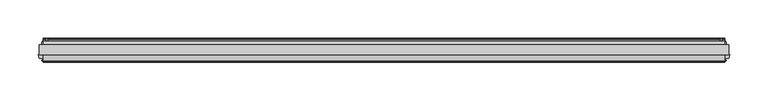
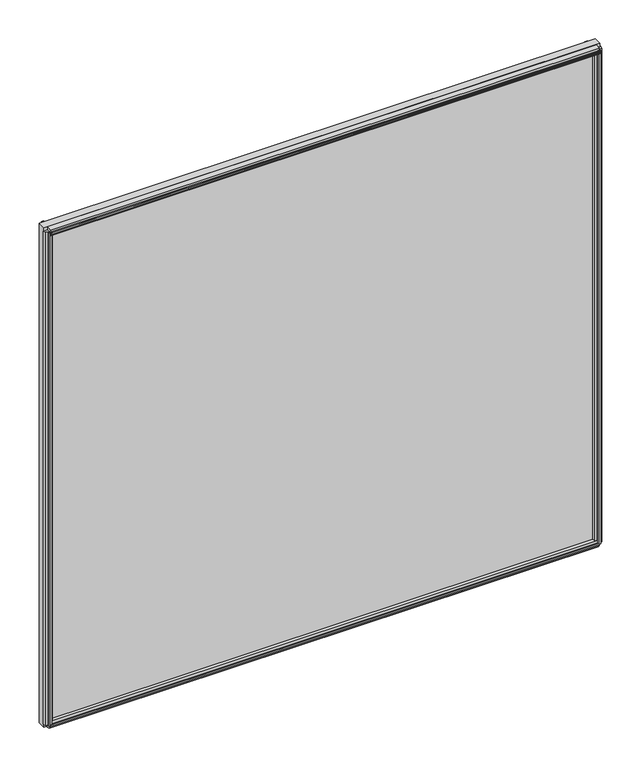
"""IFC4 building model written with IfcOpenShell, lengths in millimetres: plate geometry."""

from ifc_helpers import new_model, si_unit, point, frame, frame_2d, origin, origin_with_axes, place, context, project, spatial, polyline, circle_curve, trimmed, segment, composite_curve, outline, extrude, source, transform, mapped, element, save


def plate_dd1a4b7b(model_context):
    return source(origin(), model_context, "Body", "SweptSolid", [
        extrude(outline(polyline([(450.8666846, -0.0460375), (450.8666846, -12.8984375), (-450.8666846, -12.8984375), (-450.8666846, -0.0460375), (450.8666846, -0.0460375)])), origin_with_axes(), (0.0, 0.0, 1.0), 857.2446606),
        extrude(outline(composite_curve([segment(polyline([(7.9801525, 11.112559), (5.5925525, 11.1124979)]), True, "CONTINUOUS"), segment(trimmed(circle_curve(frame_2d((5.5925727, 10.3250979)), 0.7874), [point((5.5925525, 11.1124979))], [point((4.8051727, 10.3250778))], True, "CARTESIAN"), True, "CONTINUOUS"), segment(polyline([(4.8051727, 10.3250778), (4.8051928, 9.5376778), (6.3799928, 9.5377181), (4.8053625, 3.7841758), (4.8053625, 2.9042818)]), True, "CONTINUOUS"), segment(trimmed(circle_curve(frame_2d((2.3796615, 2.9426237)), 2.426004), [point((4.8053625, 2.9042818))], [point((-0.0460375, 2.9041577))], False, "CARTESIAN"), True, "CONTINUOUS"), segment(polyline([(-0.0460375, 2.9041577), (-0.0460375, 16.9229653)]), True, "CONTINUOUS"), segment(trimmed(circle_curve(frame_2d((11.636134, 24.6114215)), 13.9851882), [point((-0.0460375, 16.9229653))], [point((7.9801525, 11.112559))], True, "CARTESIAN"), True, "CONTINUOUS")], self_intersect=False)), frame((-445.3104346, 0.0, 0.0), z_axis=(1.0, 0.0, 0.0), x_axis=(0.0, 1.0, 0.0)), (0.0, 0.0, 1.0), 890.6208692),
        extrude(outline(polyline([(-20.3942598, 3.946253), (-20.1464993, 2.4003), (-20.9588426, 2.4003), (-21.3566375, 4.7371), (-20.9416217, 7.0739), (-20.1283543, 7.0739), (-20.3886275, 5.5210429), (-17.6691189, 5.9939196), (-17.6691189, 10.3197912), (-12.8984375, 11.5326763), (-12.8984375, -2.0076763), (-17.6782032, -0.7924816), (-17.6782032, 3.4539358), (-20.3942598, 3.946253)])), frame((-445.3104346, 0.0, 0.0), z_axis=(1.0, 0.0, 0.0), x_axis=(0.0, 1.0, 0.0)), (0.0, 0.0, 1.0), 890.6208692),
        extrude(outline(polyline([(-12.8984375, 857.2787778), (-12.8984375, 843.461728), (-17.6736375, 844.460643), (-18.7846441, 848.6069762), (-21.5347434, 848.3697136), (-20.888384, 846.9388482), (-21.6734885, 846.7284801), (-22.6708491, 848.8804715), (-22.8831052, 851.242831), (-22.0980007, 851.4531991), (-21.9423316, 849.8908536), (-19.4420445, 851.0604278), (-20.5530511, 855.206761), (-12.8984375, 857.2787778)])), frame((-445.3104346, 0.0, 0.0), z_axis=(1.0, 0.0, 0.0), x_axis=(0.0, 1.0, 0.0)), (0.0, 0.0, 1.0), 890.6208692),
        extrude(outline(polyline([(4.8053625, 852.0260653), (4.8053625, 847.7334653), (7.5231625, 847.2508653), (7.2691625, 848.8002653), (8.0819625, 848.8002653), (8.4883625, 846.4634653), (8.0819625, 844.1266653), (7.2691625, 844.1266653), (7.5231625, 845.6760653), (4.8053625, 845.1934653), (4.8053625, 840.9008653), (-0.0460375, 839.6674585), (-0.0460375, 853.2594721), (4.8053625, 852.0260653)])), frame((-445.3104346, 0.0, 0.0), z_axis=(1.0, 0.0, 0.0), x_axis=(0.0, 1.0, 0.0)), (0.0, 0.0, 1.0), 890.6208692),
        extrude(outline(polyline([(444.5132376, -20.2926598), (444.0209204, -17.5766032), (439.7426454, -17.5766032), (438.5532812, -12.8984375), (452.054888, -12.8984375), (450.8678334, -17.5675189), (446.5609042, -17.5675189), (446.0880275, -20.2870275), (447.6408846, -20.0267543), (447.6408846, -20.8400217), (445.3040846, -21.2550375), (442.9672846, -20.8572426), (442.9672846, -20.0448993), (444.5132376, -20.2926598)])), frame((0.0, 0.0, 5.55625), z_axis=(0.0, 0.0, 1.0), x_axis=(1.0, 0.0, 0.0)), (0.0, 0.0, 1.0), 846.1321606),
        extrude(outline(polyline([(441.8716275, 7.6219525), (442.3471737, 4.8870913), (446.6553366, 4.8870913), (447.9095219, -0.0460375), (434.2658473, -0.0460375), (435.5262334, 4.9114812), (439.8045119, 4.9114812), (440.2968376, 7.6275848), (438.7494461, 7.3791279), (438.7494461, 8.1919227), (441.0876846, 8.5899625), (443.4230162, 8.1752075), (443.4201092, 7.3624127), (441.8716275, 7.6219525)])), frame((0.0, 0.0, 5.55625), z_axis=(0.0, 0.0, 1.0), x_axis=(1.0, 0.0, 0.0)), (0.0, 0.0, 1.0), 846.1321606),
        extrude(outline(polyline([(-446.0880275, -20.2870275), (-446.5635737, -17.5521663), (-450.8717366, -17.5521663), (-452.0522646, -12.9087562), (-438.5559046, -12.9087562), (-439.7426334, -17.5765562), (-444.0209119, -17.5765562), (-444.5132376, -20.2926598), (-442.9658461, -20.0442029), (-442.9658461, -20.8569977), (-445.3040846, -21.2550375), (-447.6394162, -20.8402825), (-447.6365092, -20.0274877), (-446.0880275, -20.2870275)])), frame((0.0, 0.0, 5.55625), z_axis=(0.0, 0.0, 1.0), x_axis=(1.0, 0.0, 0.0)), (0.0, 0.0, 1.0), 846.1321606),
        extrude(outline(polyline([(-440.3037417, 7.6219525), (-439.8281955, 4.8870913), (-435.5200326, 4.8870913), (-434.2658473, -0.0460375), (-447.9095219, -0.0460375), (-446.6491358, 4.9114812), (-442.3708574, 4.9114812), (-441.8785316, 7.6275848), (-443.4259232, 7.3791279), (-443.4259232, 8.1919227), (-441.0876846, 8.5899625), (-438.7523531, 8.1752075), (-438.7552601, 7.3624127), (-440.3037417, 7.6219525)])), frame((0.0, 0.0, 5.55625), z_axis=(0.0, 0.0, 1.0), x_axis=(1.0, 0.0, 0.0)), (0.0, 0.0, 1.0), 846.1321606),
    ])


if __name__ == "__main__":
    model = new_model("IFC4")
    model_context = context("Model", 3, world=origin())
    ifc_project = project(units=[si_unit("LENGTHUNIT", "METRE", prefix="MILLI")], contexts=[model_context])
    site = spatial("IfcSite", under=ifc_project)
    building = spatial("IfcBuilding", under=site)
    placement = place(None, origin())
    plate_shape = plate_dd1a4b7b(model_context)
    element("IfcPlate", 1, at=placement, inside=building, context=model_context, shape_type="MappedRepresentation", body=[
        mapped(plate_shape, transform((0.0, 0.0, 0.0), x_axis=(1.0, 0.0, 0.0), y_axis=(0.0, 1.0, 0.0), z_axis=(0.0, 0.0, 1.0))),
    ])
    save(model, "model.ifc")
